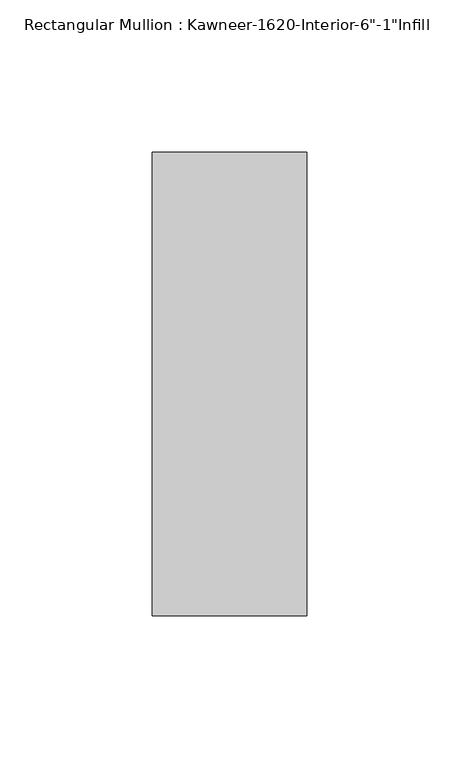
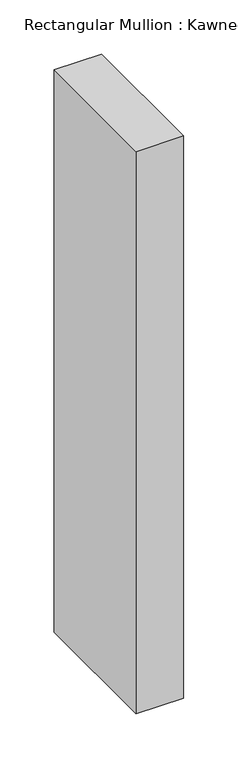
"""IFC4 building model written with IfcOpenShell, lengths in millimetres: member geometry."""

from ifc_helpers import new_model, si_unit, frame, origin, place, context, project, spatial, polyline, outline, extrude, source, transform, mapped, element, save


def member_68c05e24(model_context):
    return source(origin(), model_context, "Body", "SweptSolid", [
        extrude(outline(polyline([(25.4, -114.3), (-25.4, -114.3), (-25.4, 38.1), (25.4, 38.1), (25.4, -114.3)])), frame((0.0, 0.0, -635.0), z_axis=(0.0, 0.0, 1.0), x_axis=(1.0, 0.0, 0.0)), (0.0, 0.0, 1.0), 635.0),
    ])


if __name__ == "__main__":
    model = new_model("IFC4")
    model_context = context("Model", 3, world=origin())
    ifc_project = project(units=[si_unit("LENGTHUNIT", "METRE", prefix="MILLI")], contexts=[model_context])
    site = spatial("IfcSite", under=ifc_project)
    building = spatial("IfcBuilding", under=site)
    placement = place(None, origin())
    member_shape = member_68c05e24(model_context)
    element("IfcMember", 1, ObjectType="Rectangular Mullion : Kawneer-1620-Interior-6\"-1\"Infill", at=placement, inside=building, context=model_context, shape_type="MappedRepresentation", body=[
        mapped(member_shape, transform((0.0, 0.0, 0.0), x_axis=(1.0, 0.0, 0.0), y_axis=(0.0, 1.0, 0.0), z_axis=(0.0, 0.0, 1.0))),
    ])
    save(model, "model.ifc")
